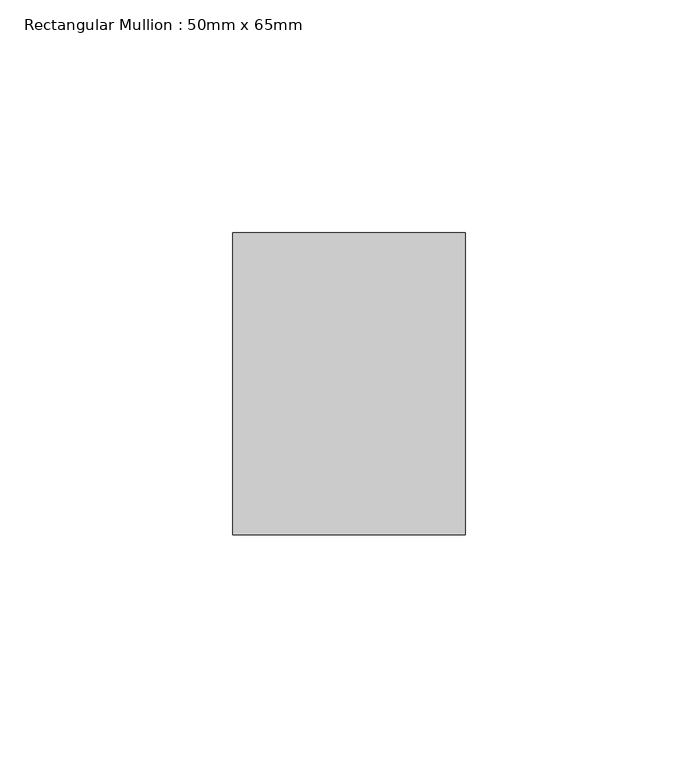
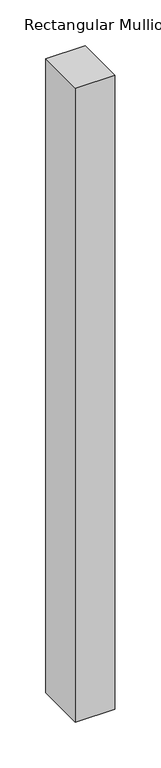
"""IFC4 building model written with IfcOpenShell, lengths in millimetres: member geometry, Rectangular Mullion : 50mm x 65mm."""

from ifc_helpers import new_model, si_unit, frame, origin, place, context, project, spatial, polyline, outline, extrude, source, transform, mapped, element, save


def rectangular_mullion_50mm_x_65mm_f654b57e(model_context):
    return source(origin(), model_context, "Body", "SweptSolid", [
        extrude(outline(polyline([(25.0, 32.5), (25.0, -32.5), (-25.0, -32.5), (-25.0, 32.5), (25.0, 32.5)])), frame((0.0, 0.0, -846.7250907), z_axis=(0.0, 0.0, 1.0), x_axis=(1.0, 0.0, 0.0)), (0.0, 0.0, 1.0), 846.7250907),
    ])


if __name__ == "__main__":
    model = new_model("IFC4")
    model_context = context("Model", 3, world=origin())
    ifc_project = project(units=[si_unit("LENGTHUNIT", "METRE", prefix="MILLI")], contexts=[model_context])
    site = spatial("IfcSite", under=ifc_project)
    building = spatial("IfcBuilding", under=site)
    placement = place(None, origin())
    rectangular_mullion_50mm_x_65mm_shape = rectangular_mullion_50mm_x_65mm_f654b57e(model_context)
    element("IfcMember", 1, ObjectType="Rectangular Mullion : 50mm x 65mm", at=placement, inside=building, context=model_context, shape_type="MappedRepresentation", body=[
        mapped(rectangular_mullion_50mm_x_65mm_shape, transform((0.0, 0.0, 0.0), x_axis=(1.0, 0.0, 0.0), y_axis=(0.0, 1.0, 0.0), z_axis=(0.0, 0.0, 1.0))),
    ])
    save(model, "model.ifc")
